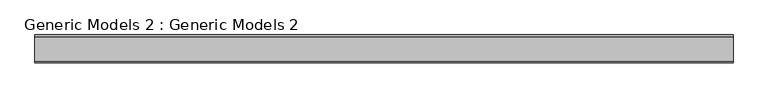
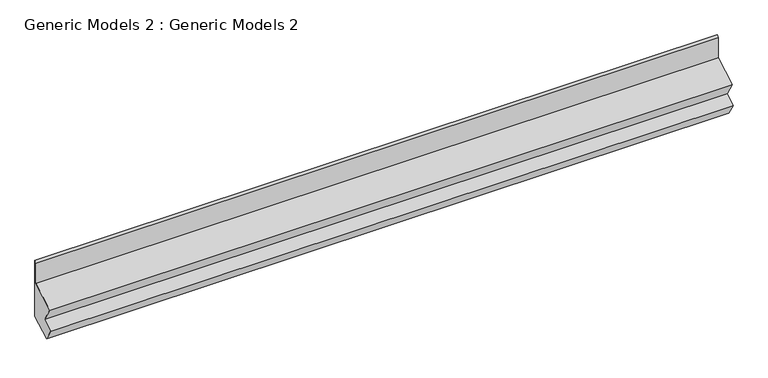
"""IFC4 building model written with IfcOpenShell, lengths in millimetres: proxy geometry, Generic Models 2 : Generic Models 2."""

from ifc_helpers import new_model, si_unit, frame, origin, place, context, project, spatial, polyline, outline, extrude, source, transform, mapped, element, save


def generic_models_2_generic_models_2_2be81683(model_context):
    return source(origin(), model_context, "Body", "SweptSolid", [
        extrude(outline(polyline([(-12209.8155637, 1369.2431945), (-12256.9236171, 1450.8367363), (-12129.4113439, 1524.4559816), (-12129.4113439, 1638.6220886), (-12119.3068443, 1648.7265883), (-12119.3068443, 1333.5102694), (-12228.0720034, 1270.7146755), (-12266.1719937, 1336.7057945), (-12209.8155637, 1369.2431945)])), frame((8341.4516877, 0.0, 0.0), z_axis=(1.0, 0.0, 0.0), x_axis=(0.0, 1.0, 0.0)), (0.0, 0.0, 1.0), 3656.0252),
    ])


if __name__ == "__main__":
    model = new_model("IFC4")
    model_context = context("Model", 3, world=origin())
    ifc_project = project(units=[si_unit("LENGTHUNIT", "METRE", prefix="MILLI")], contexts=[model_context])
    site = spatial("IfcSite", under=ifc_project)
    building = spatial("IfcBuilding", under=site)
    placement = place(None, origin())
    generic_models_2_generic_models_2_shape = generic_models_2_generic_models_2_2be81683(model_context)
    element("IfcBuildingElementProxy", 1, Name="Generic Models 2 : Generic Models 2", ObjectType="Generic Models 2 : Generic Models 2", at=placement, inside=building, context=model_context, shape_type="MappedRepresentation", body=[
        mapped(generic_models_2_generic_models_2_shape, transform((0.0, 0.0, 0.0), x_axis=(1.0, 0.0, 0.0), y_axis=(0.0, 1.0, 0.0), z_axis=(0.0, 0.0, 1.0))),
    ])
    save(model, "model.ifc")
